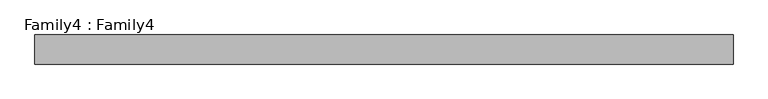
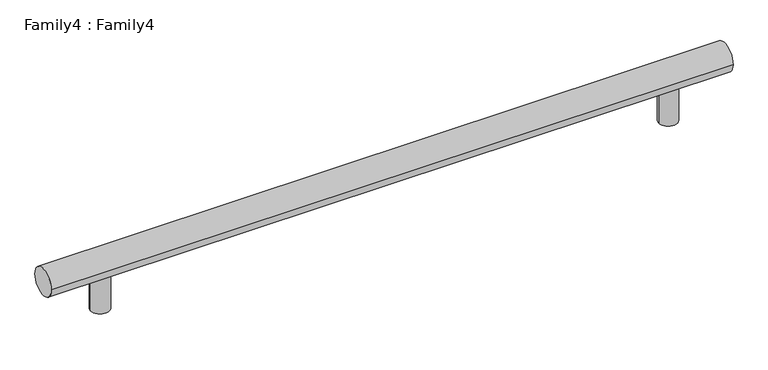
"""IFC4 building model written with IfcOpenShell, lengths in millimetres: proxy geometry, Family4 : Family4."""

from ifc_helpers import new_model, si_unit, point, frame, frame_2d, origin, origin_with_axes, place, context, project, spatial, circle_curve, trimmed, segment, composite_curve, outline, extrude, source, transform, mapped, element, save


def family4_family4_487ae540(model_context):
    return source(origin(), model_context, "Body", "SweptSolid", [
        extrude(outline(composite_curve([segment(trimmed(circle_curve(frame_2d((-762.0, -152.4)), 25.4), [point((-787.4, -152.4))], [point((-736.6, -152.4))], False, "CARTESIAN"), True, "CONTINUOUS"), segment(trimmed(circle_curve(frame_2d((-762.0, -152.4)), 25.4), [point((-736.6, -152.4))], [point((-787.4, -152.4))], False, "CARTESIAN"), True, "CONTINUOUS")], self_intersect=False)), origin_with_axes(), (0.0, 0.0, 1.0), 101.6),
        extrude(outline(composite_curve([segment(trimmed(circle_curve(frame_2d((762.0, -152.4)), 25.4), [point((736.6, -152.4))], [point((787.4, -152.4))], False, "CARTESIAN"), True, "CONTINUOUS"), segment(trimmed(circle_curve(frame_2d((762.0, -152.4)), 25.4), [point((787.4, -152.4))], [point((736.6, -152.4))], False, "CARTESIAN"), True, "CONTINUOUS")], self_intersect=False)), origin_with_axes(), (0.0, 0.0, 1.0), 101.6),
        extrude(outline(composite_curve([segment(trimmed(circle_curve(frame_2d((-152.4, 127.0)), 38.1), [point((-190.5, 127.0))], [point((-114.3, 127.0))], False, "CARTESIAN"), True, "CONTINUOUS"), segment(trimmed(circle_curve(frame_2d((-152.4, 127.0)), 38.1), [point((-114.3, 127.0))], [point((-190.5, 127.0))], False, "CARTESIAN"), True, "CONTINUOUS")], self_intersect=False)), frame((-914.4, 0.0, 0.0), z_axis=(1.0, 0.0, 0.0), x_axis=(0.0, 1.0, 0.0)), (0.0, 0.0, 1.0), 1828.8),
    ])


if __name__ == "__main__":
    model = new_model("IFC4")
    model_context = context("Model", 3, world=origin())
    ifc_project = project(units=[si_unit("LENGTHUNIT", "METRE", prefix="MILLI")], contexts=[model_context])
    site = spatial("IfcSite", under=ifc_project)
    building = spatial("IfcBuilding", under=site)
    placement = place(None, origin())
    family4_family4_shape = family4_family4_487ae540(model_context)
    element("IfcBuildingElementProxy", 1, Name="Family4 : Family4", ObjectType="Family4 : Family4", at=placement, inside=building, context=model_context, shape_type="MappedRepresentation", body=[
        mapped(family4_family4_shape, transform((0.0, 0.0, 0.0), x_axis=(1.0, 0.0, 0.0), y_axis=(0.0, 1.0, 0.0), z_axis=(0.0, 0.0, 1.0))),
    ])
    save(model, "model.ifc")
